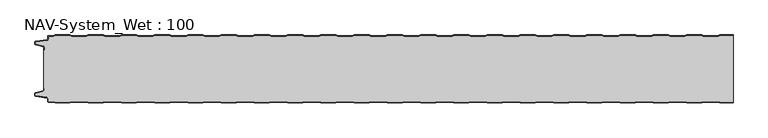
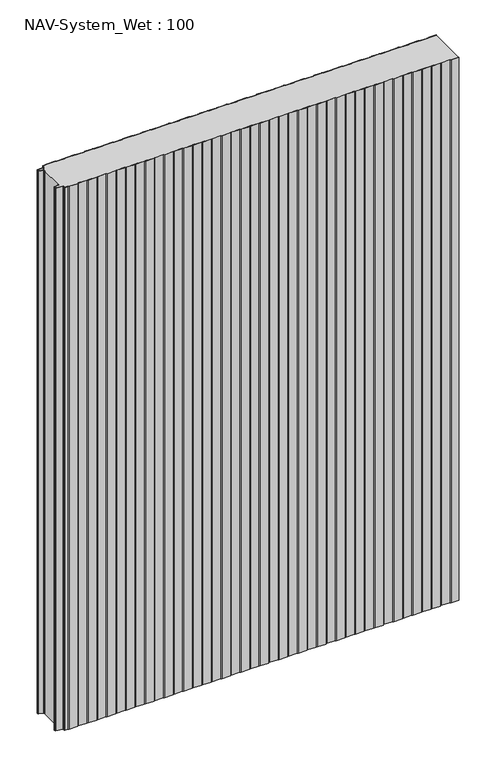
"""IFC4 building model written with IfcOpenShell, lengths in millimetres: plate geometry, NAV-System_Wet : 100."""

from ifc_helpers import new_model, si_unit, point, frame_2d, origin, origin_with_axes, place, context, project, spatial, polyline, circle_curve, trimmed, segment, composite_curve, outline, extrude, source, transform, mapped, element, save


def nav_system_wet_100_78715209(model_context):
    return source(origin(), model_context, "Body", "SweptSolid", [
        extrude(outline(composite_curve([segment(polyline([(480.3684327, -0.8), (477.3684327, 0.2), (455.3684327, 0.2), (452.3684327, -0.8), (430.3684327, -0.8), (427.3684327, 0.2), (405.3684327, 0.2), (402.3684327, -0.8), (380.3684327, -0.8), (377.3684327, 0.2), (355.3684327, 0.2), (352.3684327, -0.8), (330.3684327, -0.8), (327.3684327, 0.2), (305.3684327, 0.2), (302.3684327, -0.8), (280.3684327, -0.8), (277.3684327, 0.2), (255.3684327, 0.2), (252.3684327, -0.8), (230.3684327, -0.8), (227.3684327, 0.2), (205.3684327, 0.2), (202.3684327, -0.8), (180.3684327, -0.8), (177.3684327, 0.2), (155.3684327, 0.2), (152.3684327, -0.8), (130.3684327, -0.8), (127.3684327, 0.2), (105.3684327, 0.2), (102.3684327, -0.8), (80.3684327, -0.8), (77.3684327, 0.2), (55.3684327, 0.2), (52.3684327, -0.8), (30.3684327, -0.8), (27.3684327, 0.2), (5.3684327, 0.2), (2.3684327, -0.8), (-19.6315673, -0.8), (-22.6315673, 0.2), (-44.6315673, 0.2), (-47.6315673, -0.8), (-69.6315673, -0.8), (-72.6315673, 0.2), (-94.6315673, 0.2), (-97.6315673, -0.8), (-119.6315673, -0.8), (-122.6315673, 0.2), (-144.6315673, 0.2), (-147.6315673, -0.8), (-169.6315673, -0.8), (-172.6315673, 0.2), (-194.6315673, 0.2), (-197.6315673, -0.8), (-219.6315673, -0.8), (-222.6315673, 0.2), (-244.6315673, 0.2), (-247.6315673, -0.8), (-269.6315673, -0.8), (-272.6315673, 0.2), (-294.6315673, 0.2), (-297.6315673, -0.8), (-319.6315673, -0.8), (-322.6315673, 0.2), (-344.6315673, 0.2), (-347.6315673, -0.8), (-369.6315673, -0.8), (-372.6315673, 0.2), (-394.6315673, 0.2), (-397.6315673, -0.8), (-419.6315673, -0.8), (-422.6315673, 0.2), (-444.6315673, 0.2), (-447.6315673, -0.8), (-469.6315673, -0.8), (-472.6315673, 0.2), (-494.6315673, 0.2), (-497.6315673, -0.8), (-504.7, -0.8)]), True, "CONTINUOUS"), segment(trimmed(circle_curve(frame_2d((-504.7, -1.3)), 0.5), [point((-504.7, -0.8))], [point((-505.2, -1.3))], True, "CARTESIAN"), True, "CONTINUOUS"), segment(polyline([(-505.2, -1.3), (-505.2, -5.3964683)]), True, "CONTINUOUS"), segment(trimmed(circle_curve(frame_2d((-506.7, -5.3964683)), 1.5), [point((-505.2, -5.3964683))], [point((-506.4911207, -6.8818536))], False, "CARTESIAN"), True, "CONTINUOUS"), segment(polyline([(-506.4911207, -6.8818536), (-523.4352183, -9.2645825)]), True, "CONTINUOUS"), segment(trimmed(circle_curve(frame_2d((-523.3114909, -10.1444347)), 0.8885091), [point((-523.4352183, -9.2645825))], [point((-524.2, -10.1444347))], True, "CARTESIAN"), True, "CONTINUOUS"), segment(polyline([(-524.2, -10.1444347), (-524.2, -12.46995)]), True, "CONTINUOUS"), segment(trimmed(circle_curve(frame_2d((-523.6, -12.46995)), 0.6), [point((-524.2, -12.46995))], [point((-523.7552914, -13.0495055))], True, "CARTESIAN"), True, "CONTINUOUS"), segment(polyline([(-523.7552914, -13.0495055), (-512.3785632, -16.0978907)]), True, "CONTINUOUS"), segment(trimmed(circle_curve(frame_2d((-512.7667917, -17.5467794)), 1.5), [point((-512.3785632, -16.0978907))], [point((-511.2667917, -17.5467794))], False, "CARTESIAN"), True, "CONTINUOUS"), segment(polyline([(-511.2667917, -17.5467794), (-511.2667917, -21.0096505), (-512.0667917, -21.0096505), (-512.0667917, -17.5467794)]), True, "CONTINUOUS"), segment(trimmed(circle_curve(frame_2d((-512.7667917, -17.5467794)), 0.7), [point((-512.0667917, -17.5467794))], [point((-512.5856184, -16.8706313))], True, "CARTESIAN"), True, "CONTINUOUS"), segment(polyline([(-512.5856184, -16.8706313), (-524.0364648, -13.8023863)]), True, "CONTINUOUS"), segment(trimmed(circle_curve(frame_2d((-523.7, -12.5466827)), 1.3), [point((-524.0364648, -13.8023863))], [point((-525.0, -12.5466827))], False, "CARTESIAN"), True, "CONTINUOUS"), segment(polyline([(-525.0, -12.5466827), (-525.0, -9.8067363)]), True, "CONTINUOUS"), segment(trimmed(circle_curve(frame_2d((-523.7, -9.8067363)), 1.3), [point((-525.0, -9.8067363))], [point((-523.8810287, -8.5194024))], False, "CARTESIAN"), True, "CONTINUOUS"), segment(polyline([(-523.8810287, -8.5194024), (-506.602523, -6.0896481)]), True, "CONTINUOUS"), segment(trimmed(circle_curve(frame_2d((-506.7, -5.3964683)), 0.7), [point((-506.602523, -6.0896481))], [point((-506.0, -5.3964683))], True, "CARTESIAN"), True, "CONTINUOUS"), segment(polyline([(-506.0, -5.3964683), (-506.0, -1.3)]), True, "CONTINUOUS"), segment(trimmed(circle_curve(frame_2d((-504.7, -1.3)), 1.3), [point((-506.0, -1.3))], [point((-504.7, 0.0))], False, "CARTESIAN"), True, "CONTINUOUS"), segment(polyline([(-504.7, 0.0), (-497.7613895, 0.0), (-494.7613895, 1.0), (-472.5017452, 1.0), (-469.5017452, 0.0), (-447.7613895, 0.0), (-444.7613895, 1.0), (-422.5017452, 1.0), (-419.5017452, 0.0), (-397.7613895, 0.0), (-394.7613895, 1.0), (-372.5017452, 1.0), (-369.5017452, 0.0), (-347.7613895, 0.0), (-344.7613895, 1.0), (-322.5017452, 1.0), (-319.5017452, 0.0), (-297.7613895, 0.0), (-294.7613895, 1.0), (-272.5017452, 1.0), (-269.5017452, 0.0), (-247.7613895, 0.0), (-244.7613895, 1.0), (-222.5017452, 1.0), (-219.5017452, 0.0), (-197.7613895, 0.0), (-194.7613895, 1.0), (-172.5017452, 1.0), (-169.5017452, 0.0), (-147.7613895, 0.0), (-144.7613895, 1.0), (-122.5017452, 1.0), (-119.5017452, 0.0), (-97.7613895, 0.0), (-94.7613895, 1.0), (-72.5017452, 1.0), (-69.5017452, 0.0), (-47.7613895, 0.0), (-44.7613895, 1.0), (-22.5017452, 1.0), (-19.5017452, 0.0), (2.2386105, 0.0), (5.2386105, 1.0), (27.4982548, 1.0), (30.4982548, 0.0), (52.2386105, 0.0), (55.2386105, 1.0), (77.4982548, 1.0), (80.4982548, 0.0), (102.2386105, 0.0), (105.2386105, 1.0), (127.4982548, 1.0), (130.4982548, 0.0), (152.2386105, 0.0), (155.2386105, 1.0), (177.4982548, 1.0), (180.4982548, 0.0), (202.2386105, 0.0), (205.2386105, 1.0), (227.4982548, 1.0), (230.4982548, 0.0), (252.2386105, 0.0), (255.2386105, 1.0), (277.4982548, 1.0), (280.4982548, 0.0), (302.2386105, 0.0), (305.2386105, 1.0), (327.4982548, 1.0), (330.4982548, 0.0), (352.2386105, 0.0), (355.2386105, 1.0), (377.4982548, 1.0), (380.4982548, 0.0), (402.2386105, 0.0), (405.2386105, 1.0), (427.4982548, 1.0), (430.4982548, 0.0), (452.2386105, 0.0), (455.2386105, 1.0), (477.4982548, 1.0), (480.4982548, 0.0), (502.2386105, 0.0), (505.2386105, 1.0), (525.0, 1.0), (525.0, 0.2), (505.3684327, 0.2), (502.3684327, -0.8), (480.3684327, -0.8)]), True, "CONTINUOUS")], self_intersect=False)), origin_with_axes(), (0.0, 0.0, 1.0), 1500.0),
        extrude(outline(composite_curve([segment(polyline([(480.3684327, -0.8), (502.3684327, -0.8), (505.3684327, 0.2), (525.0, 0.2), (525.0, -100.2), (505.3684327, -100.2), (502.3684327, -99.2), (480.3684327, -99.2), (477.3684327, -100.2), (455.3684327, -100.2), (452.3684327, -99.2), (430.3684327, -99.2), (427.3684327, -100.2), (405.3684327, -100.2), (402.3684327, -99.2), (380.3684327, -99.2), (377.3684327, -100.2), (355.3684327, -100.2), (352.3684327, -99.2), (330.3684327, -99.2), (327.3684327, -100.2), (305.3684327, -100.2), (302.3684327, -99.2), (280.3684327, -99.2), (277.3684327, -100.2), (255.3684327, -100.2), (252.3684327, -99.2), (230.3684327, -99.2), (227.3684327, -100.2), (205.3684327, -100.2), (202.3684327, -99.2), (180.3684327, -99.2), (177.3684327, -100.2), (155.3684327, -100.2), (152.3684327, -99.2), (130.3684327, -99.2), (127.3684327, -100.2), (105.3684327, -100.2), (102.3684327, -99.2), (80.3684327, -99.2), (77.3684327, -100.2), (55.3684327, -100.2), (52.3684327, -99.2), (30.3684327, -99.2), (27.3684327, -100.2), (5.3684327, -100.2), (2.3684327, -99.2), (-19.6315673, -99.2), (-22.6315673, -100.2), (-44.6315673, -100.2), (-47.6315673, -99.2), (-69.6315673, -99.2), (-72.6315673, -100.2), (-94.6315673, -100.2), (-97.6315673, -99.2), (-119.6315673, -99.2), (-122.6315673, -100.2), (-144.6315673, -100.2), (-147.6315673, -99.2), (-169.6315673, -99.2), (-172.6315673, -100.2), (-194.6315673, -100.2), (-197.6315673, -99.2), (-219.6315673, -99.2), (-222.6315673, -100.2), (-244.6315673, -100.2), (-247.6315673, -99.2), (-269.6315673, -99.2), (-272.6315673, -100.2), (-294.6315673, -100.2), (-297.6315673, -99.2), (-319.6315673, -99.2), (-322.6315673, -100.2), (-344.6315673, -100.2), (-347.6315673, -99.2), (-369.6315673, -99.2), (-372.6315673, -100.2), (-394.6315673, -100.2), (-397.6315673, -99.2), (-419.6315673, -99.2), (-422.6315673, -100.2), (-444.6315673, -100.2), (-447.6315673, -99.2), (-469.6315673, -99.2), (-472.6315673, -100.2), (-494.6315673, -100.2), (-497.6315673, -99.2), (-504.7, -99.2)]), True, "CONTINUOUS"), segment(trimmed(circle_curve(frame_2d((-504.7, -98.7)), 0.5), [point((-504.7, -99.2))], [point((-505.2, -98.7))], False, "CARTESIAN"), True, "CONTINUOUS"), segment(polyline([(-505.2, -98.7), (-505.2, -94.6035317)]), True, "CONTINUOUS"), segment(trimmed(circle_curve(frame_2d((-506.7, -94.6035317)), 1.5), [point((-505.2, -94.6035317))], [point((-506.4911207, -93.1181464))], True, "CARTESIAN"), True, "CONTINUOUS"), segment(polyline([(-506.4911207, -93.1181464), (-523.4352183, -90.7354175)]), True, "CONTINUOUS"), segment(trimmed(circle_curve(frame_2d((-523.3114909, -89.8555653)), 0.8885091), [point((-523.4352183, -90.7354175))], [point((-524.2, -89.8555653))], False, "CARTESIAN"), True, "CONTINUOUS"), segment(polyline([(-524.2, -89.8555653), (-524.2, -87.53005)]), True, "CONTINUOUS"), segment(trimmed(circle_curve(frame_2d((-523.6, -87.53005)), 0.6), [point((-524.2, -87.53005))], [point((-523.7552914, -86.9504945))], False, "CARTESIAN"), True, "CONTINUOUS"), segment(polyline([(-523.7552914, -86.9504945), (-512.3785632, -83.9021093)]), True, "CONTINUOUS"), segment(trimmed(circle_curve(frame_2d((-512.7667917, -82.4532206)), 1.5), [point((-512.3785632, -83.9021093))], [point((-511.2667917, -82.4532206))], True, "CARTESIAN"), True, "CONTINUOUS"), segment(polyline([(-511.2667917, -82.4532206), (-511.2667917, -78.9903495), (-512.0667917, -78.9903495), (-512.0667917, -21.0096505), (-511.2667917, -21.0096505), (-511.2667917, -17.5467794)]), True, "CONTINUOUS"), segment(trimmed(circle_curve(frame_2d((-512.7667917, -17.5467794)), 1.5), [point((-511.2667917, -17.5467794))], [point((-512.3785632, -16.0978907))], True, "CARTESIAN"), True, "CONTINUOUS"), segment(polyline([(-512.3785632, -16.0978907), (-523.7552914, -13.0495055)]), True, "CONTINUOUS"), segment(trimmed(circle_curve(frame_2d((-523.6, -12.46995)), 0.6), [point((-523.7552914, -13.0495055))], [point((-524.2, -12.46995))], False, "CARTESIAN"), True, "CONTINUOUS"), segment(polyline([(-524.2, -12.46995), (-524.2, -10.1444347)]), True, "CONTINUOUS"), segment(trimmed(circle_curve(frame_2d((-523.3114909, -10.1444347)), 0.8885091), [point((-524.2, -10.1444347))], [point((-523.4352183, -9.2645825))], False, "CARTESIAN"), True, "CONTINUOUS"), segment(polyline([(-523.4352183, -9.2645825), (-506.4911207, -6.8818536)]), True, "CONTINUOUS"), segment(trimmed(circle_curve(frame_2d((-506.7, -5.3964683)), 1.5), [point((-506.4911207, -6.8818536))], [point((-505.2, -5.3964683))], True, "CARTESIAN"), True, "CONTINUOUS"), segment(polyline([(-505.2, -5.3964683), (-505.2, -1.3)]), True, "CONTINUOUS"), segment(trimmed(circle_curve(frame_2d((-504.7, -1.3)), 0.5), [point((-505.2, -1.3))], [point((-504.7, -0.8))], False, "CARTESIAN"), True, "CONTINUOUS"), segment(polyline([(-504.7, -0.8), (-497.6315673, -0.8), (-494.6315673, 0.2), (-472.6315673, 0.2), (-469.6315673, -0.8), (-447.6315673, -0.8), (-444.6315673, 0.2), (-422.6315673, 0.2), (-419.6315673, -0.8), (-397.6315673, -0.8), (-394.6315673, 0.2), (-372.6315673, 0.2), (-369.6315673, -0.8), (-347.6315673, -0.8), (-344.6315673, 0.2), (-322.6315673, 0.2), (-319.6315673, -0.8), (-297.6315673, -0.8), (-294.6315673, 0.2), (-272.6315673, 0.2), (-269.6315673, -0.8), (-247.6315673, -0.8), (-244.6315673, 0.2), (-222.6315673, 0.2), (-219.6315673, -0.8), (-197.6315673, -0.8), (-194.6315673, 0.2), (-172.6315673, 0.2), (-169.6315673, -0.8), (-147.6315673, -0.8), (-144.6315673, 0.2), (-122.6315673, 0.2), (-119.6315673, -0.8), (-97.6315673, -0.8), (-94.6315673, 0.2), (-72.6315673, 0.2), (-69.6315673, -0.8), (-47.6315673, -0.8), (-44.6315673, 0.2), (-22.6315673, 0.2), (-19.6315673, -0.8), (2.3684327, -0.8), (5.3684327, 0.2), (27.3684327, 0.2), (30.3684327, -0.8), (52.3684327, -0.8), (55.3684327, 0.2), (77.3684327, 0.2), (80.3684327, -0.8), (102.3684327, -0.8), (105.3684327, 0.2), (127.3684327, 0.2), (130.3684327, -0.8), (152.3684327, -0.8), (155.3684327, 0.2), (177.3684327, 0.2), (180.3684327, -0.8), (202.3684327, -0.8), (205.3684327, 0.2), (227.3684327, 0.2), (230.3684327, -0.8), (252.3684327, -0.8), (255.3684327, 0.2), (277.3684327, 0.2), (280.3684327, -0.8), (302.3684327, -0.8), (305.3684327, 0.2), (327.3684327, 0.2), (330.3684327, -0.8), (352.3684327, -0.8), (355.3684327, 0.2), (377.3684327, 0.2), (380.3684327, -0.8), (402.3684327, -0.8), (405.3684327, 0.2), (427.3684327, 0.2), (430.3684327, -0.8), (452.3684327, -0.8), (455.3684327, 0.2), (477.3684327, 0.2), (480.3684327, -0.8)]), True, "CONTINUOUS")], self_intersect=False)), origin_with_axes(), (0.0, 0.0, 1.0), 1500.0),
        extrude(outline(composite_curve([segment(polyline([(480.3684327, -99.2), (502.3684327, -99.2), (505.3684327, -100.2), (525.0, -100.2), (525.0, -101.0), (505.2386105, -101.0), (502.2386105, -100.0), (480.4982548, -100.0), (477.4982548, -101.0), (455.2386105, -101.0), (452.2386105, -100.0), (430.4982548, -100.0), (427.4982548, -101.0), (405.2386105, -101.0), (402.2386105, -100.0), (380.4982548, -100.0), (377.4982548, -101.0), (355.2386105, -101.0), (352.2386105, -100.0), (330.4982548, -100.0), (327.4982548, -101.0), (305.2386105, -101.0), (302.2386105, -100.0), (280.4982548, -100.0), (277.4982548, -101.0), (255.2386105, -101.0), (252.2386105, -100.0), (230.4982548, -100.0), (227.4982548, -101.0), (205.2386105, -101.0), (202.2386105, -100.0), (180.4982548, -100.0), (177.4982548, -101.0), (155.2386105, -101.0), (152.2386105, -100.0), (130.4982548, -100.0), (127.4982548, -101.0), (105.2386105, -101.0), (102.2386105, -100.0), (80.4982548, -100.0), (77.4982548, -101.0), (55.2386105, -101.0), (52.2386105, -100.0), (30.4982548, -100.0), (27.4982548, -101.0), (5.2386105, -101.0), (2.2386105, -100.0), (-19.5017452, -100.0), (-22.5017452, -101.0), (-44.7613895, -101.0), (-47.7613895, -100.0), (-69.5017452, -100.0), (-72.5017452, -101.0), (-94.7613895, -101.0), (-97.7613895, -100.0), (-119.5017452, -100.0), (-122.5017452, -101.0), (-144.7613895, -101.0), (-147.7613895, -100.0), (-169.5017452, -100.0), (-172.5017452, -101.0), (-194.7613895, -101.0), (-197.7613895, -100.0), (-219.5017452, -100.0), (-222.5017452, -101.0), (-244.7613895, -101.0), (-247.7613895, -100.0), (-269.5017452, -100.0), (-272.5017452, -101.0), (-294.7613895, -101.0), (-297.7613895, -100.0), (-319.5017452, -100.0), (-322.5017452, -101.0), (-344.7613895, -101.0), (-347.7613895, -100.0), (-369.5017452, -100.0), (-372.5017452, -101.0), (-394.7613895, -101.0), (-397.7613895, -100.0), (-419.5017452, -100.0), (-422.5017452, -101.0), (-444.7613895, -101.0), (-447.7613895, -100.0), (-469.5017452, -100.0), (-472.5017452, -101.0), (-494.7613895, -101.0), (-497.7613895, -100.0), (-504.7, -100.0)]), True, "CONTINUOUS"), segment(trimmed(circle_curve(frame_2d((-504.7, -98.7)), 1.3), [point((-504.7, -100.0))], [point((-506.0, -98.7))], False, "CARTESIAN"), True, "CONTINUOUS"), segment(polyline([(-506.0, -98.7), (-506.0, -94.6035317)]), True, "CONTINUOUS"), segment(trimmed(circle_curve(frame_2d((-506.7, -94.6035317)), 0.7), [point((-506.0, -94.6035317))], [point((-506.602523, -93.9103519))], True, "CARTESIAN"), True, "CONTINUOUS"), segment(polyline([(-506.602523, -93.9103519), (-523.8810287, -91.4805976)]), True, "CONTINUOUS"), segment(trimmed(circle_curve(frame_2d((-523.7, -90.1932637)), 1.3), [point((-523.8810287, -91.4805976))], [point((-525.0, -90.1932637))], False, "CARTESIAN"), True, "CONTINUOUS"), segment(polyline([(-525.0, -90.1932637), (-525.0, -87.4533173)]), True, "CONTINUOUS"), segment(trimmed(circle_curve(frame_2d((-523.7, -87.4533173)), 1.3), [point((-525.0, -87.4533173))], [point((-524.0364648, -86.1976137))], False, "CARTESIAN"), True, "CONTINUOUS"), segment(polyline([(-524.0364648, -86.1976137), (-512.5856184, -83.1293687)]), True, "CONTINUOUS"), segment(trimmed(circle_curve(frame_2d((-512.7667917, -82.4532206)), 0.7), [point((-512.5856184, -83.1293687))], [point((-512.0667917, -82.4532206))], True, "CARTESIAN"), True, "CONTINUOUS"), segment(polyline([(-512.0667917, -82.4532206), (-512.0667917, -78.9903495), (-511.2667917, -78.9903495), (-511.2667917, -82.4532206)]), True, "CONTINUOUS"), segment(trimmed(circle_curve(frame_2d((-512.7667917, -82.4532206)), 1.5), [point((-511.2667917, -82.4532206))], [point((-512.3785632, -83.9021093))], False, "CARTESIAN"), True, "CONTINUOUS"), segment(polyline([(-512.3785632, -83.9021093), (-523.7552914, -86.9504945)]), True, "CONTINUOUS"), segment(trimmed(circle_curve(frame_2d((-523.6, -87.53005)), 0.6), [point((-523.7552914, -86.9504945))], [point((-524.2, -87.53005))], True, "CARTESIAN"), True, "CONTINUOUS"), segment(polyline([(-524.2, -87.53005), (-524.2, -89.8555653)]), True, "CONTINUOUS"), segment(trimmed(circle_curve(frame_2d((-523.3114909, -89.8555653)), 0.8885091), [point((-524.2, -89.8555653))], [point((-523.4352183, -90.7354175))], True, "CARTESIAN"), True, "CONTINUOUS"), segment(polyline([(-523.4352183, -90.7354175), (-506.4911207, -93.1181464)]), True, "CONTINUOUS"), segment(trimmed(circle_curve(frame_2d((-506.7, -94.6035317)), 1.5), [point((-506.4911207, -93.1181464))], [point((-505.2, -94.6035317))], False, "CARTESIAN"), True, "CONTINUOUS"), segment(polyline([(-505.2, -94.6035317), (-505.2, -98.7)]), True, "CONTINUOUS"), segment(trimmed(circle_curve(frame_2d((-504.7, -98.7)), 0.5), [point((-505.2, -98.7))], [point((-504.7, -99.2))], True, "CARTESIAN"), True, "CONTINUOUS"), segment(polyline([(-504.7, -99.2), (-497.6315673, -99.2), (-494.6315673, -100.2), (-472.6315673, -100.2), (-469.6315673, -99.2), (-447.6315673, -99.2), (-444.6315673, -100.2), (-422.6315673, -100.2), (-419.6315673, -99.2), (-397.6315673, -99.2), (-394.6315673, -100.2), (-372.6315673, -100.2), (-369.6315673, -99.2), (-347.6315673, -99.2), (-344.6315673, -100.2), (-322.6315673, -100.2), (-319.6315673, -99.2), (-297.6315673, -99.2), (-294.6315673, -100.2), (-272.6315673, -100.2), (-269.6315673, -99.2), (-247.6315673, -99.2), (-244.6315673, -100.2), (-222.6315673, -100.2), (-219.6315673, -99.2), (-197.6315673, -99.2), (-194.6315673, -100.2), (-172.6315673, -100.2), (-169.6315673, -99.2), (-147.6315673, -99.2), (-144.6315673, -100.2), (-122.6315673, -100.2), (-119.6315673, -99.2), (-97.6315673, -99.2), (-94.6315673, -100.2), (-72.6315673, -100.2), (-69.6315673, -99.2), (-47.6315673, -99.2), (-44.6315673, -100.2), (-22.6315673, -100.2), (-19.6315673, -99.2), (2.3684327, -99.2), (5.3684327, -100.2), (27.3684327, -100.2), (30.3684327, -99.2), (52.3684327, -99.2), (55.3684327, -100.2), (77.3684327, -100.2), (80.3684327, -99.2), (102.3684327, -99.2), (105.3684327, -100.2), (127.3684327, -100.2), (130.3684327, -99.2), (152.3684327, -99.2), (155.3684327, -100.2), (177.3684327, -100.2), (180.3684327, -99.2), (202.3684327, -99.2), (205.3684327, -100.2), (227.3684327, -100.2), (230.3684327, -99.2), (252.3684327, -99.2), (255.3684327, -100.2), (277.3684327, -100.2), (280.3684327, -99.2), (302.3684327, -99.2), (305.3684327, -100.2), (327.3684327, -100.2), (330.3684327, -99.2), (352.3684327, -99.2), (355.3684327, -100.2), (377.3684327, -100.2), (380.3684327, -99.2), (402.3684327, -99.2), (405.3684327, -100.2), (427.3684327, -100.2), (430.3684327, -99.2), (452.3684327, -99.2), (455.3684327, -100.2), (477.3684327, -100.2), (480.3684327, -99.2)]), True, "CONTINUOUS")], self_intersect=False)), origin_with_axes(), (0.0, 0.0, 1.0), 1500.0),
    ])


if __name__ == "__main__":
    model = new_model("IFC4")
    model_context = context("Model", 3, world=origin())
    ifc_project = project(units=[si_unit("LENGTHUNIT", "METRE", prefix="MILLI")], contexts=[model_context])
    site = spatial("IfcSite", under=ifc_project)
    building = spatial("IfcBuilding", under=site)
    placement = place(None, origin())
    nav_system_wet_100_shape = nav_system_wet_100_78715209(model_context)
    element("IfcPlate", 1, ObjectType="NAV-System_Wet : 100", at=placement, inside=building, context=model_context, shape_type="MappedRepresentation", body=[
        mapped(nav_system_wet_100_shape, transform((0.0, 0.0, 0.0), x_axis=(1.0, 0.0, 0.0), y_axis=(0.0, 1.0, 0.0), z_axis=(0.0, 0.0, 1.0))),
    ])
    save(model, "model.ifc")
